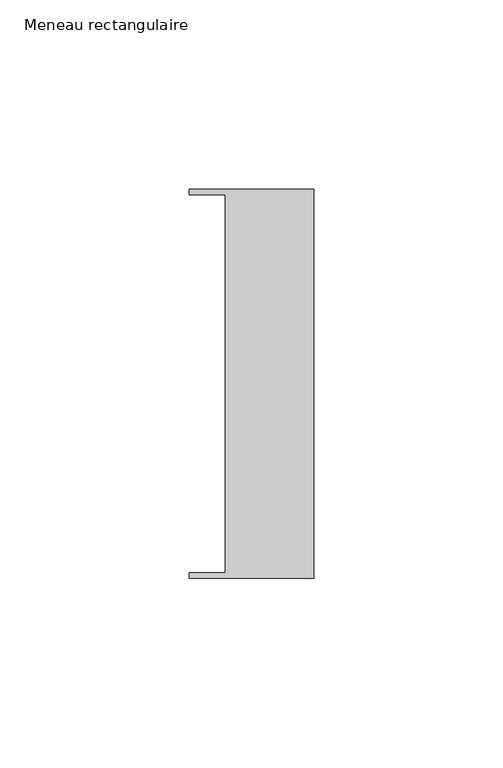
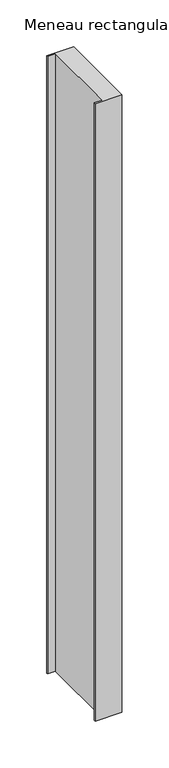
"""IFC4 building model written with IfcOpenShell, lengths in millimetres: member geometry, Meneau rectangulaire."""

from ifc_helpers import new_model, si_unit, frame, origin, place, context, project, spatial, polyline, outline, extrude, source, transform, mapped, element, save


def meneau_rectangulaire_e39867b6(model_context):
    return source(origin(), model_context, "Body", "SweptSolid", [
        extrude(outline(polyline([(-33.0, 51.4622428), (0.0, 51.4622428), (0.0, -51.4712299), (-33.0, -51.4712299), (-33.0, -49.9505712), (-23.4, -49.9505712), (-23.4, 49.9614402), (-33.0, 49.9614402), (-33.0, 51.4622428)])), frame((0.0, 0.0, -804.5555092), z_axis=(0.0, 0.0, 1.0), x_axis=(1.0, 0.0, 0.0)), (0.0, 0.0, 1.0), 804.5555092),
    ])


if __name__ == "__main__":
    model = new_model("IFC4")
    model_context = context("Model", 3, world=origin())
    ifc_project = project(units=[si_unit("LENGTHUNIT", "METRE", prefix="MILLI")], contexts=[model_context])
    site = spatial("IfcSite", under=ifc_project)
    building = spatial("IfcBuilding", under=site)
    placement = place(None, origin())
    meneau_rectangulaire_shape = meneau_rectangulaire_e39867b6(model_context)
    element("IfcMember", 1, ObjectType="Meneau rectangulaire", at=placement, inside=building, context=model_context, shape_type="MappedRepresentation", body=[
        mapped(meneau_rectangulaire_shape, transform((0.0, 0.0, 0.0), x_axis=(1.0, 0.0, 0.0), y_axis=(0.0, 1.0, 0.0), z_axis=(0.0, 0.0, 1.0))),
    ])
    save(model, "model.ifc")
